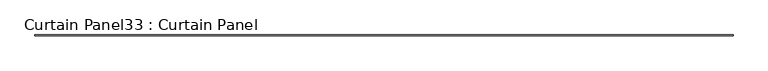
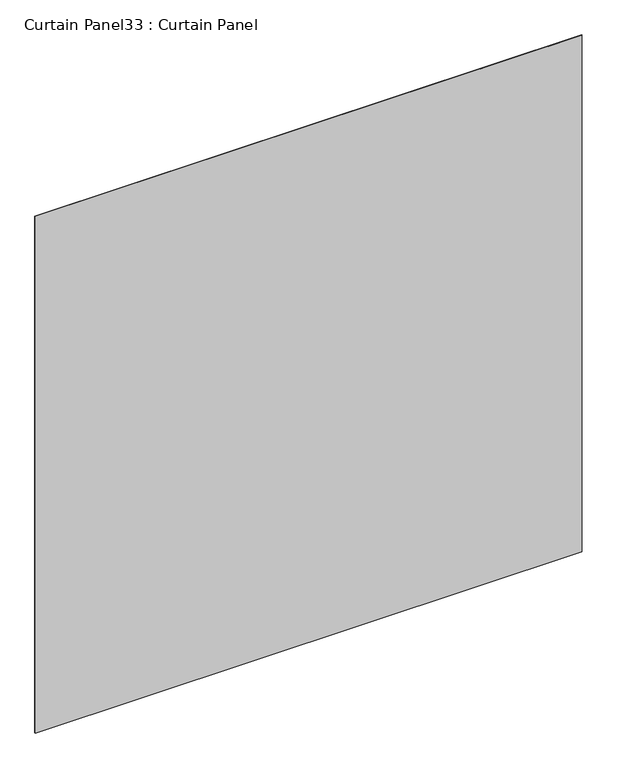
"""IFC4 building model written with IfcOpenShell, lengths in millimetres: plate geometry, Curtain Panel33 : Curtain Panel."""

import ifcopenshell
import ifcopenshell.guid

model = None  # the IFC model being written
_history = None  # IfcOwnerHistory: only IFC2X3 demands one
_inside = {}  # id of a spatial element -> (the spatial element, [elements in it])
_under = {}  # id of a project, library or spatial element -> (it, [spatial elements below it])
_declared = {}  # id of a project -> (the project, [libraries it declares])
_typed = {}  # id of a type object -> (the type object, [elements of that type])
_made_of = {}  # id of a material, layer set ... -> (it, [elements and type objects made of it])


def new_model(schema):
    """Start an empty IFC model of exactly this schema.

    Asked for "IFC4X3", IfcOpenShell would pick the latest addendum, in which some entities
    have other attributes; the version numbers below select the first issue.
    IFC2X3 requires an IfcOwnerHistory on every rooted entity: one is made here for all.
    """
    global model, _history
    if schema == "IFC4X3":
        model = ifcopenshell.file(schema_version=(4, 3, 0, 0))
    else:
        model = ifcopenshell.file(schema=schema)
    _inside.clear()
    _under.clear()
    _declared.clear()
    _typed.clear()
    _made_of.clear()
    _history = None
    if model.schema == "IFC2X3":
        org = make("IfcOrganization", Name="unknown")
        user = make(
            "IfcPersonAndOrganization",
            ThePerson=make("IfcPerson", FamilyName="unknown"),
            TheOrganization=org,
        )
        app = make(
            "IfcApplication",
            ApplicationDeveloper=org,
            Version="unknown",
            ApplicationFullName="unknown",
            ApplicationIdentifier="unknown",
        )
        _history = make(
            "IfcOwnerHistory",
            OwningUser=user,
            OwningApplication=app,
            ChangeAction="ADDED",
            CreationDate=0,
        )
    return model


def make(cls, **values):
    """One entity of the class cls with the attributes given. An attribute that is None is left unset."""
    return model.create_entity(
        cls, **{name: value for name, value in values.items() if value is not None}
    )


def rooted(cls, **values):
    """An entity with a GlobalId (a new one), such as an element, a storey or a relation."""
    return make(cls, GlobalId=ifcopenshell.guid.new(), OwnerHistory=_history, **values)


def si_unit(unit_type, name, prefix=None):
    """IfcSIUnit, for example si_unit("LENGTHUNIT", "METRE", prefix="MILLI")."""
    return make("IfcSIUnit", UnitType=unit_type, Prefix=prefix, Name=name)


def assignment(units):
    """IfcUnitAssignment: the units of a project."""
    return None if units is None else make("IfcUnitAssignment", Units=units)


def point(xyz):
    """IfcCartesianPoint."""
    return None if xyz is None else make("IfcCartesianPoint", Coordinates=xyz)


def direction(xyz):
    """IfcDirection."""
    return None if xyz is None else make("IfcDirection", DirectionRatios=xyz)


def frame(location, z_axis=None, x_axis=None):
    """IfcAxis2Placement3D, a coordinate frame: its origin and axes. An axis left out is left unset."""
    return make(
        "IfcAxis2Placement3D",
        Location=point(location),
        Axis=direction(z_axis),
        RefDirection=direction(x_axis),
    )


def origin():
    """The frame at (0, 0, 0) with its axes left unset."""
    return frame((0.0, 0.0, 0.0))


def place(relative_to, where):
    """IfcLocalPlacement: puts the frame where relative to a parent placement (None: the world)."""
    return make(
        "IfcLocalPlacement", PlacementRelTo=relative_to, RelativePlacement=where
    )


def context(
    kind, dimensions, precision=None, world=None, true_north=None, identifier=None
):
    """IfcGeometricRepresentationContext, for example the 3D "Model" context."""
    return make(
        "IfcGeometricRepresentationContext",
        ContextIdentifier=identifier,
        ContextType=kind,
        CoordinateSpaceDimension=dimensions,
        Precision=precision,
        WorldCoordinateSystem=world,
        TrueNorth=true_north,
    )


def project(units=None, contexts=None):
    """IfcProject with its units and contexts."""
    return rooted(
        "IfcProject",
        Name="project",
        RepresentationContexts=contexts,
        UnitsInContext=assignment(units),
    )


def spatial(cls, under=None, at=None, **own):
    """A site, building, storey or space (cls), placed at a placement, below another one or the project."""
    s = rooted(cls, ObjectPlacement=at, **own)
    if under is not None:
        _under.setdefault(under.id(), (under, []))[1].append(s)
    return s


def polyline(points):
    """IfcPolyline through the points."""
    return make("IfcPolyline", Points=[point(p) for p in points])


def outline(outer, holes=None, kind="AREA"):
    """IfcArbitraryClosedProfileDef: a profile drawn as a closed curve; with holes, ...WithVoids."""
    if holes is None:
        return make("IfcArbitraryClosedProfileDef", ProfileType=kind, OuterCurve=outer)
    return make(
        "IfcArbitraryProfileDefWithVoids",
        ProfileType=kind,
        OuterCurve=outer,
        InnerCurves=holes,
    )


def extrude(swept, where, along, depth):
    """IfcExtrudedAreaSolid: the profile swept, set in the frame where, extruded along a direction by depth."""
    return make(
        "IfcExtrudedAreaSolid",
        SweptArea=swept,
        Position=where,
        ExtrudedDirection=direction(along),
        Depth=depth,
    )


def shape(context_of_items, identifier, shape_type, items):
    """IfcShapeRepresentation: the items that make up one representation, for example the "Body"."""
    return make(
        "IfcShapeRepresentation",
        ContextOfItems=context_of_items,
        RepresentationIdentifier=identifier,
        RepresentationType=shape_type,
        Items=items,
    )


def source(mapping_origin, context_of_items, identifier, shape_type, items):
    """IfcRepresentationMap: a shape defined once, which mapped items show again and again."""
    return make(
        "IfcRepresentationMap",
        MappingOrigin=mapping_origin,
        MappedRepresentation=shape(context_of_items, identifier, shape_type, items),
    )


def transform(
    local_origin,
    x_axis=None,
    y_axis=None,
    z_axis=None,
    scale=None,
    scale2=None,
    scale3=None,
    uniform=True,
):
    """IfcCartesianTransformationOperator3D, or its non-uniform kind. x_axis, y_axis, z_axis: its Axis1, 2, 3."""
    if uniform:
        return make(
            "IfcCartesianTransformationOperator3D",
            Axis1=direction(x_axis),
            Axis2=direction(y_axis),
            LocalOrigin=point(local_origin),
            Scale=scale,
            Axis3=direction(z_axis),
        )
    return make(
        "IfcCartesianTransformationOperator3DnonUniform",
        Axis1=direction(x_axis),
        Axis2=direction(y_axis),
        LocalOrigin=point(local_origin),
        Scale=scale,
        Axis3=direction(z_axis),
        Scale2=scale2,
        Scale3=scale3,
    )


def mapped(mapping_source, mapping_target):
    """IfcMappedItem: shows the shape of a source again, moved by a transform."""
    return make(
        "IfcMappedItem", MappingSource=mapping_source, MappingTarget=mapping_target
    )


def made_of(thing, what):
    """Note that an element or type object is made of a material, layer set ...; save() writes the relation."""
    if what is not None:
        _made_of.setdefault(what.id(), (what, []))[1].append(thing)
    return thing


def element(
    cls,
    number,
    at=None,
    inside=None,
    cuts=None,
    type_object=None,
    material=None,
    context=None,
    identifier="Body",
    shape_type=None,
    held_by="IfcProductDefinitionShape",
    body=None,
    shapes=None,
    **own,
):
    """One element of the class cls, such as IfcWall. Its Tag is "e" and its number.

    at: its placement. inside: the storey or other place that contains it. cuts: it is an
    opening in that element (IfcRelVoidsElement). A single representation is given by context,
    identifier, shape_type and body (its items); several are given by shapes. held_by: the class
    of the entity that holds the representations. save() writes the other relations.
    """
    e = rooted(cls, Tag="e%d" % number, ObjectPlacement=at, **own)
    if body is not None:
        shapes = [shape(context, identifier, shape_type, body)]
    if shapes is not None:
        e.Representation = make(held_by, Representations=shapes)
    if inside is not None:
        _inside.setdefault(inside.id(), (inside, []))[1].append(e)
    if cuts is not None:
        rooted(
            "IfcRelVoidsElement", RelatingBuildingElement=cuts, RelatedOpeningElement=e
        )
    if type_object is not None:
        _typed.setdefault(type_object.id(), (type_object, []))[1].append(e)
    return made_of(e, material)


def aggregate(whole, parts):
    """IfcRelAggregates: a whole, such as a stair, and the parts it consists of."""
    return rooted("IfcRelAggregates", RelatingObject=whole, RelatedObjects=parts)


def save(model, path):
    """Write the relations noted so far, then the file.

    IfcRelAggregates (storeys below a building ...), IfcRelContainedInSpatialStructure (elements
    in a storey), IfcRelDefinesByType, IfcRelAssociatesMaterial and IfcRelDeclares: one each for
    every whole, place, type object, material and project.
    """
    for whole, parts in _under.values():
        aggregate(whole, parts)
    for where, things in _inside.values():
        rooted(
            "IfcRelContainedInSpatialStructure",
            RelatedElements=things,
            RelatingStructure=where,
        )
    for kind, things in _typed.values():
        rooted("IfcRelDefinesByType", RelatedObjects=things, RelatingType=kind)
    for what, things in _made_of.values():
        rooted("IfcRelAssociatesMaterial", RelatedObjects=things, RelatingMaterial=what)
    for by, libraries in _declared.values():
        rooted("IfcRelDeclares", RelatingContext=by, RelatedDefinitions=libraries)
    model.write(path)


def curtain_panel33_curtain_panel_84496fcb(model_context):
    return source(origin(), model_context, "Body", "SweptSolid", [
        extrude(outline(polyline([(516890.6179845, 2929.2807893), (510842.2467945, 2929.2807893), (510842.2467945, 2935.6307893), (516890.6179845, 2935.6307893), (516890.6179845, 2929.2807893)])), frame((0.0, 0.0, 11335.719352), z_axis=(0.0, 0.0, 1.0), x_axis=(1.0, 0.0, 0.0)), (0.0, 0.0, 1.0), 6038.697934),
    ])


if __name__ == "__main__":
    model = new_model("IFC4")
    model_context = context("Model", 3, world=origin())
    ifc_project = project(units=[si_unit("LENGTHUNIT", "METRE", prefix="MILLI")], contexts=[model_context])
    site = spatial("IfcSite", under=ifc_project)
    building = spatial("IfcBuilding", under=site)
    placement = place(None, origin())
    curtain_panel33_curtain_panel_shape = curtain_panel33_curtain_panel_84496fcb(model_context)
    element("IfcPlate", 1, ObjectType="Curtain Panel33 : Curtain Panel", at=placement, inside=building, context=model_context, shape_type="MappedRepresentation", body=[
        mapped(curtain_panel33_curtain_panel_shape, transform((0.0, 0.0, 0.0), x_axis=(1.0, 0.0, 0.0), y_axis=(0.0, 1.0, 0.0), z_axis=(0.0, 0.0, 1.0))),
    ])
    save(model, "model.ifc")
